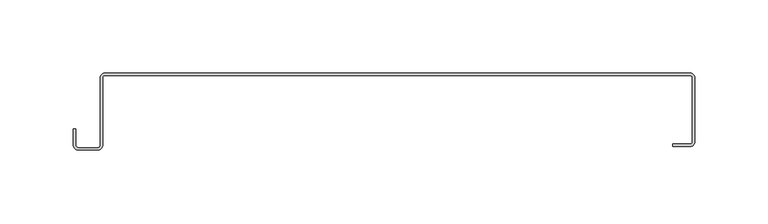
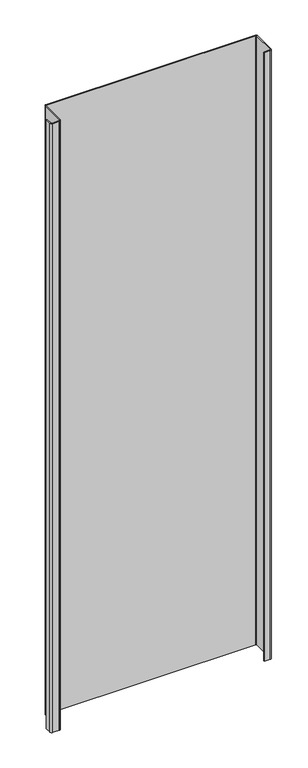
"""IFC4 building model written with IfcOpenShell, lengths in millimetres: plate geometry."""

import ifcopenshell
import ifcopenshell.guid

model = None  # the IFC model being written
_history = None  # IfcOwnerHistory: only IFC2X3 demands one
_inside = {}  # id of a spatial element -> (the spatial element, [elements in it])
_under = {}  # id of a project, library or spatial element -> (it, [spatial elements below it])
_declared = {}  # id of a project -> (the project, [libraries it declares])
_typed = {}  # id of a type object -> (the type object, [elements of that type])
_made_of = {}  # id of a material, layer set ... -> (it, [elements and type objects made of it])


def new_model(schema):
    """Start an empty IFC model of exactly this schema.

    Asked for "IFC4X3", IfcOpenShell would pick the latest addendum, in which some entities
    have other attributes; the version numbers below select the first issue.
    IFC2X3 requires an IfcOwnerHistory on every rooted entity: one is made here for all.
    """
    global model, _history
    if schema == "IFC4X3":
        model = ifcopenshell.file(schema_version=(4, 3, 0, 0))
    else:
        model = ifcopenshell.file(schema=schema)
    _inside.clear()
    _under.clear()
    _declared.clear()
    _typed.clear()
    _made_of.clear()
    _history = None
    if model.schema == "IFC2X3":
        org = make("IfcOrganization", Name="unknown")
        user = make(
            "IfcPersonAndOrganization",
            ThePerson=make("IfcPerson", FamilyName="unknown"),
            TheOrganization=org,
        )
        app = make(
            "IfcApplication",
            ApplicationDeveloper=org,
            Version="unknown",
            ApplicationFullName="unknown",
            ApplicationIdentifier="unknown",
        )
        _history = make(
            "IfcOwnerHistory",
            OwningUser=user,
            OwningApplication=app,
            ChangeAction="ADDED",
            CreationDate=0,
        )
    return model


def make(cls, **values):
    """One entity of the class cls with the attributes given. An attribute that is None is left unset."""
    return model.create_entity(
        cls, **{name: value for name, value in values.items() if value is not None}
    )


def rooted(cls, **values):
    """An entity with a GlobalId (a new one), such as an element, a storey or a relation."""
    return make(cls, GlobalId=ifcopenshell.guid.new(), OwnerHistory=_history, **values)


def si_unit(unit_type, name, prefix=None):
    """IfcSIUnit, for example si_unit("LENGTHUNIT", "METRE", prefix="MILLI")."""
    return make("IfcSIUnit", UnitType=unit_type, Prefix=prefix, Name=name)


def assignment(units):
    """IfcUnitAssignment: the units of a project."""
    return None if units is None else make("IfcUnitAssignment", Units=units)


def point(xyz):
    """IfcCartesianPoint."""
    return None if xyz is None else make("IfcCartesianPoint", Coordinates=xyz)


def direction(xyz):
    """IfcDirection."""
    return None if xyz is None else make("IfcDirection", DirectionRatios=xyz)


def frame(location, z_axis=None, x_axis=None):
    """IfcAxis2Placement3D, a coordinate frame: its origin and axes. An axis left out is left unset."""
    return make(
        "IfcAxis2Placement3D",
        Location=point(location),
        Axis=direction(z_axis),
        RefDirection=direction(x_axis),
    )


def frame_2d(location, x_axis=None):
    """IfcAxis2Placement2D, a coordinate frame in the plane: its origin and x axis."""
    return make(
        "IfcAxis2Placement2D", Location=point(location), RefDirection=direction(x_axis)
    )


def origin():
    """The frame at (0, 0, 0) with its axes left unset."""
    return frame((0.0, 0.0, 0.0))


def origin_with_axes():
    """The frame at (0, 0, 0) with the z axis (0, 0, 1) and the x axis (1, 0, 0) written out."""
    return frame((0.0, 0.0, 0.0), z_axis=(0.0, 0.0, 1.0), x_axis=(1.0, 0.0, 0.0))


def place(relative_to, where):
    """IfcLocalPlacement: puts the frame where relative to a parent placement (None: the world)."""
    return make(
        "IfcLocalPlacement", PlacementRelTo=relative_to, RelativePlacement=where
    )


def context(
    kind, dimensions, precision=None, world=None, true_north=None, identifier=None
):
    """IfcGeometricRepresentationContext, for example the 3D "Model" context."""
    return make(
        "IfcGeometricRepresentationContext",
        ContextIdentifier=identifier,
        ContextType=kind,
        CoordinateSpaceDimension=dimensions,
        Precision=precision,
        WorldCoordinateSystem=world,
        TrueNorth=true_north,
    )


def project(units=None, contexts=None):
    """IfcProject with its units and contexts."""
    return rooted(
        "IfcProject",
        Name="project",
        RepresentationContexts=contexts,
        UnitsInContext=assignment(units),
    )


def spatial(cls, under=None, at=None, **own):
    """A site, building, storey or space (cls), placed at a placement, below another one or the project."""
    s = rooted(cls, ObjectPlacement=at, **own)
    if under is not None:
        _under.setdefault(under.id(), (under, []))[1].append(s)
    return s


def polyline(points):
    """IfcPolyline through the points."""
    return make("IfcPolyline", Points=[point(p) for p in points])


def circle_curve(where, radius):
    """IfcCircle in the frame where."""
    return make("IfcCircle", Position=where, Radius=radius)


def trimmed(basis, trim1, trim2, sense, master):
    """IfcTrimmedCurve: the piece of a basis curve between two trims."""
    return make(
        "IfcTrimmedCurve",
        BasisCurve=basis,
        Trim1=trim1,
        Trim2=trim2,
        SenseAgreement=sense,
        MasterRepresentation=master,
    )


def segment(curve, same_sense, transition):
    """IfcCompositeCurveSegment."""
    return make(
        "IfcCompositeCurveSegment",
        Transition=transition,
        SameSense=same_sense,
        ParentCurve=curve,
    )


def composite_curve(segments, self_intersect=None):
    """IfcCompositeCurve: segments joined end to end."""
    return make("IfcCompositeCurve", Segments=segments, SelfIntersect=self_intersect)


def outline(outer, holes=None, kind="AREA"):
    """IfcArbitraryClosedProfileDef: a profile drawn as a closed curve; with holes, ...WithVoids."""
    if holes is None:
        return make("IfcArbitraryClosedProfileDef", ProfileType=kind, OuterCurve=outer)
    return make(
        "IfcArbitraryProfileDefWithVoids",
        ProfileType=kind,
        OuterCurve=outer,
        InnerCurves=holes,
    )


def extrude(swept, where, along, depth):
    """IfcExtrudedAreaSolid: the profile swept, set in the frame where, extruded along a direction by depth."""
    return make(
        "IfcExtrudedAreaSolid",
        SweptArea=swept,
        Position=where,
        ExtrudedDirection=direction(along),
        Depth=depth,
    )


def shape(context_of_items, identifier, shape_type, items):
    """IfcShapeRepresentation: the items that make up one representation, for example the "Body"."""
    return make(
        "IfcShapeRepresentation",
        ContextOfItems=context_of_items,
        RepresentationIdentifier=identifier,
        RepresentationType=shape_type,
        Items=items,
    )


def source(mapping_origin, context_of_items, identifier, shape_type, items):
    """IfcRepresentationMap: a shape defined once, which mapped items show again and again."""
    return make(
        "IfcRepresentationMap",
        MappingOrigin=mapping_origin,
        MappedRepresentation=shape(context_of_items, identifier, shape_type, items),
    )


def transform(
    local_origin,
    x_axis=None,
    y_axis=None,
    z_axis=None,
    scale=None,
    scale2=None,
    scale3=None,
    uniform=True,
):
    """IfcCartesianTransformationOperator3D, or its non-uniform kind. x_axis, y_axis, z_axis: its Axis1, 2, 3."""
    if uniform:
        return make(
            "IfcCartesianTransformationOperator3D",
            Axis1=direction(x_axis),
            Axis2=direction(y_axis),
            LocalOrigin=point(local_origin),
            Scale=scale,
            Axis3=direction(z_axis),
        )
    return make(
        "IfcCartesianTransformationOperator3DnonUniform",
        Axis1=direction(x_axis),
        Axis2=direction(y_axis),
        LocalOrigin=point(local_origin),
        Scale=scale,
        Axis3=direction(z_axis),
        Scale2=scale2,
        Scale3=scale3,
    )


def mapped(mapping_source, mapping_target):
    """IfcMappedItem: shows the shape of a source again, moved by a transform."""
    return make(
        "IfcMappedItem", MappingSource=mapping_source, MappingTarget=mapping_target
    )


def made_of(thing, what):
    """Note that an element or type object is made of a material, layer set ...; save() writes the relation."""
    if what is not None:
        _made_of.setdefault(what.id(), (what, []))[1].append(thing)
    return thing


def element(
    cls,
    number,
    at=None,
    inside=None,
    cuts=None,
    type_object=None,
    material=None,
    context=None,
    identifier="Body",
    shape_type=None,
    held_by="IfcProductDefinitionShape",
    body=None,
    shapes=None,
    **own,
):
    """One element of the class cls, such as IfcWall. Its Tag is "e" and its number.

    at: its placement. inside: the storey or other place that contains it. cuts: it is an
    opening in that element (IfcRelVoidsElement). A single representation is given by context,
    identifier, shape_type and body (its items); several are given by shapes. held_by: the class
    of the entity that holds the representations. save() writes the other relations.
    """
    e = rooted(cls, Tag="e%d" % number, ObjectPlacement=at, **own)
    if body is not None:
        shapes = [shape(context, identifier, shape_type, body)]
    if shapes is not None:
        e.Representation = make(held_by, Representations=shapes)
    if inside is not None:
        _inside.setdefault(inside.id(), (inside, []))[1].append(e)
    if cuts is not None:
        rooted(
            "IfcRelVoidsElement", RelatingBuildingElement=cuts, RelatedOpeningElement=e
        )
    if type_object is not None:
        _typed.setdefault(type_object.id(), (type_object, []))[1].append(e)
    return made_of(e, material)


def aggregate(whole, parts):
    """IfcRelAggregates: a whole, such as a stair, and the parts it consists of."""
    return rooted("IfcRelAggregates", RelatingObject=whole, RelatedObjects=parts)


def save(model, path):
    """Write the relations noted so far, then the file.

    IfcRelAggregates (storeys below a building ...), IfcRelContainedInSpatialStructure (elements
    in a storey), IfcRelDefinesByType, IfcRelAssociatesMaterial and IfcRelDeclares: one each for
    every whole, place, type object, material and project.
    """
    for whole, parts in _under.values():
        aggregate(whole, parts)
    for where, things in _inside.values():
        rooted(
            "IfcRelContainedInSpatialStructure",
            RelatedElements=things,
            RelatingStructure=where,
        )
    for kind, things in _typed.values():
        rooted("IfcRelDefinesByType", RelatedObjects=things, RelatingType=kind)
    for what, things in _made_of.values():
        rooted("IfcRelAssociatesMaterial", RelatedObjects=things, RelatingMaterial=what)
    for by, libraries in _declared.values():
        rooted("IfcRelDeclares", RelatingContext=by, RelatedDefinitions=libraries)
    model.write(path)


def plate_182992d6(model_context):
    return source(origin(), model_context, "Body", "SweptSolid", [
        extrude(outline(composite_curve([segment(trimmed(circle_curve(frame_2d((-203.8791678, -48.8784494)), 3.6309705), [point((-200.2481973, -48.8784494))], [point((-203.8791678, -52.5094199))], False, "CARTESIAN"), True, "CONTINUOUS"), segment(polyline([(-203.8791678, -52.5094199), (-216.60701, -52.5094199)]), True, "CONTINUOUS"), segment(trimmed(circle_curve(frame_2d((-216.60701, -48.8784494)), 3.6309705), [point((-216.60701, -52.5094199))], [point((-220.2379805, -48.8784494))], False, "CARTESIAN"), True, "CONTINUOUS"), segment(polyline([(-220.2379805, -48.8784494), (-220.2379805, -38.1835265), (-218.6399292, -38.1835265), (-218.6399292, -48.8784494)]), True, "CONTINUOUS"), segment(trimmed(circle_curve(frame_2d((-216.60701, -48.8784494)), 2.0329192), [point((-218.6399292, -48.8784494))], [point((-216.60701, -50.9113686))], True, "CARTESIAN"), True, "CONTINUOUS"), segment(polyline([(-216.60701, -50.9113686), (-203.8791678, -50.9113686)]), True, "CONTINUOUS"), segment(trimmed(circle_curve(frame_2d((-203.8791678, -48.8784494)), 2.0329192), [point((-203.8791678, -50.9113686))], [point((-201.8462486, -48.8784494))], True, "CARTESIAN"), True, "CONTINUOUS"), segment(polyline([(-201.8462486, -48.8784494), (-201.8462486, -2.7400216)]), True, "CONTINUOUS"), segment(trimmed(circle_curve(frame_2d((-199.106227, -2.7400216)), 2.7400216), [point((-201.8462486, -2.7400216))], [point((-199.106227, 0.0))], False, "CARTESIAN"), True, "CONTINUOUS"), segment(polyline([(-199.106227, 0.0), (200.2262298, 0.0)]), True, "CONTINUOUS"), segment(trimmed(circle_curve(frame_2d((200.2595098, -2.7402881)), 2.7404902), [point((200.2262298, 0.0))], [point((203.0, -2.7402881))], False, "CARTESIAN"), True, "CONTINUOUS"), segment(polyline([(203.0, -2.7402881), (203.0, -47.2180172)]), True, "CONTINUOUS"), segment(trimmed(circle_curve(frame_2d((200.2262298, -47.2180172)), 2.7737702), [point((203.0, -47.2180172))], [point((200.2262298, -49.9917874))], False, "CARTESIAN"), True, "CONTINUOUS"), segment(polyline([(200.2262298, -49.9917874), (188.1469081, -49.9917874), (188.1469081, -48.374053), (200.2262298, -48.374053)]), True, "CONTINUOUS"), segment(trimmed(circle_curve(frame_2d((200.2262298, -47.2180172)), 1.1560358), [point((200.2262298, -48.374053))], [point((201.3822657, -47.2180172))], True, "CARTESIAN"), True, "CONTINUOUS"), segment(polyline([(201.3822657, -47.2180172), (201.3822657, -2.7540871)]), True, "CONTINUOUS"), segment(trimmed(circle_curve(frame_2d((200.2262298, -2.7540871)), 1.1560358), [point((201.3822657, -2.7540871))], [point((200.2262298, -1.5980513))], True, "CARTESIAN"), True, "CONTINUOUS"), segment(polyline([(200.2262298, -1.5980513), (-199.106227, -1.5980513)]), True, "CONTINUOUS"), segment(trimmed(circle_curve(frame_2d((-199.106227, -2.7400216)), 1.1419703), [point((-199.106227, -1.5980513))], [point((-200.2481973, -2.7400216))], True, "CARTESIAN"), True, "CONTINUOUS"), segment(polyline([(-200.2481973, -2.7400216), (-200.2481973, -48.8784494)]), True, "CONTINUOUS")], self_intersect=False)), origin_with_axes(), (0.0, 0.0, 1.0), 1228.3559792),
    ])


if __name__ == "__main__":
    model = new_model("IFC4")
    model_context = context("Model", 3, world=origin())
    ifc_project = project(units=[si_unit("LENGTHUNIT", "METRE", prefix="MILLI")], contexts=[model_context])
    site = spatial("IfcSite", under=ifc_project)
    building = spatial("IfcBuilding", under=site)
    placement = place(None, origin())
    plate_shape = plate_182992d6(model_context)
    element("IfcPlate", 1, at=placement, inside=building, context=model_context, shape_type="MappedRepresentation", body=[
        mapped(plate_shape, transform((0.0, 0.0, 0.0), x_axis=(1.0, 0.0, 0.0), y_axis=(0.0, 1.0, 0.0), z_axis=(0.0, 0.0, 1.0))),
    ])
    save(model, "model.ifc")
